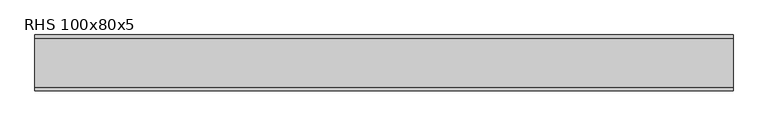
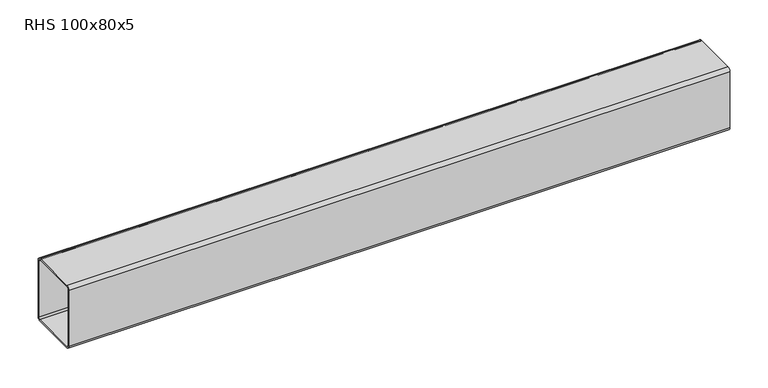
"""IFC4 building model written with IfcOpenShell, lengths in millimetres: beam geometry, RHS 100x80x5."""

from ifc_helpers import new_model, si_unit, point, frame, frame_2d, origin, place, context, project, spatial, polyline, circle_curve, trimmed, segment, composite_curve, outline, extrude, source, transform, mapped, element, save


def rhs_100x80x5_e35fc2ac(model_context):
    return source(origin(), model_context, "Body", "SweptSolid", [
        extrude(outline(composite_curve([segment(polyline([(40.0, 45.0), (40.0, -45.0)]), True, "CONTINUOUS"), segment(trimmed(circle_curve(frame_2d((35.0, -45.0)), 5.0), [point((40.0, -45.0))], [point((35.0, -50.0))], False, "CARTESIAN"), True, "CONTINUOUS"), segment(polyline([(35.0, -50.0), (-35.0, -50.0)]), True, "CONTINUOUS"), segment(trimmed(circle_curve(frame_2d((-35.0, -45.0)), 5.0), [point((-35.0, -50.0))], [point((-40.0, -45.0))], False, "CARTESIAN"), True, "CONTINUOUS"), segment(polyline([(-40.0, -45.0), (-40.0, 45.0)]), True, "CONTINUOUS"), segment(trimmed(circle_curve(frame_2d((-35.0, 45.0)), 5.0), [point((-40.0, 45.0))], [point((-35.0, 50.0))], False, "CARTESIAN"), True, "CONTINUOUS"), segment(polyline([(-35.0, 50.0), (35.0, 50.0)]), True, "CONTINUOUS"), segment(trimmed(circle_curve(frame_2d((35.0, 45.0)), 5.0), [point((35.0, 50.0))], [point((40.0, 45.0))], False, "CARTESIAN"), True, "CONTINUOUS")], self_intersect=False), holes=[composite_curve([segment(trimmed(circle_curve(frame_2d((-35.0, 45.0)), 2.5), [point((-35.0, 47.5))], [point((-37.5, 45.0))], True, "CARTESIAN"), True, "CONTINUOUS"), segment(polyline([(-37.5, 45.0), (-37.5, -45.0)]), True, "CONTINUOUS"), segment(trimmed(circle_curve(frame_2d((-35.0, -45.0)), 2.5), [point((-37.5, -45.0))], [point((-35.0, -47.5))], True, "CARTESIAN"), True, "CONTINUOUS"), segment(polyline([(-35.0, -47.5), (35.0, -47.5)]), True, "CONTINUOUS"), segment(trimmed(circle_curve(frame_2d((35.0, -45.0)), 2.5), [point((35.0, -47.5))], [point((37.5, -45.0))], True, "CARTESIAN"), True, "CONTINUOUS"), segment(polyline([(37.5, -45.0), (37.5, 45.0)]), True, "CONTINUOUS"), segment(trimmed(circle_curve(frame_2d((35.0, 45.0)), 2.5), [point((37.5, 45.0))], [point((35.0, 47.5))], True, "CARTESIAN"), True, "CONTINUOUS"), segment(polyline([(35.0, 47.5), (-35.0, 47.5)]), True, "CONTINUOUS")], self_intersect=False)]), frame((-500.0810477, 0.0, 0.0), z_axis=(1.0, 0.0, 0.0), x_axis=(0.0, 1.0, 0.0)), (0.0, 0.0, 1.0), 1000.1620955),
    ])


if __name__ == "__main__":
    model = new_model("IFC4")
    model_context = context("Model", 3, world=origin())
    ifc_project = project(units=[si_unit("LENGTHUNIT", "METRE", prefix="MILLI")], contexts=[model_context])
    site = spatial("IfcSite", under=ifc_project)
    building = spatial("IfcBuilding", under=site)
    placement = place(None, origin())
    rhs_100x80x5_shape = rhs_100x80x5_e35fc2ac(model_context)
    element("IfcBeam", 1, ObjectType="RHS 100x80x5", at=placement, inside=building, context=model_context, shape_type="MappedRepresentation", body=[
        mapped(rhs_100x80x5_shape, transform((0.0, 0.0, 0.0), x_axis=(1.0, 0.0, 0.0), y_axis=(0.0, 1.0, 0.0), z_axis=(0.0, 0.0, 1.0))),
    ])
    save(model, "model.ifc")
